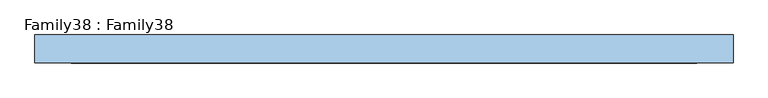
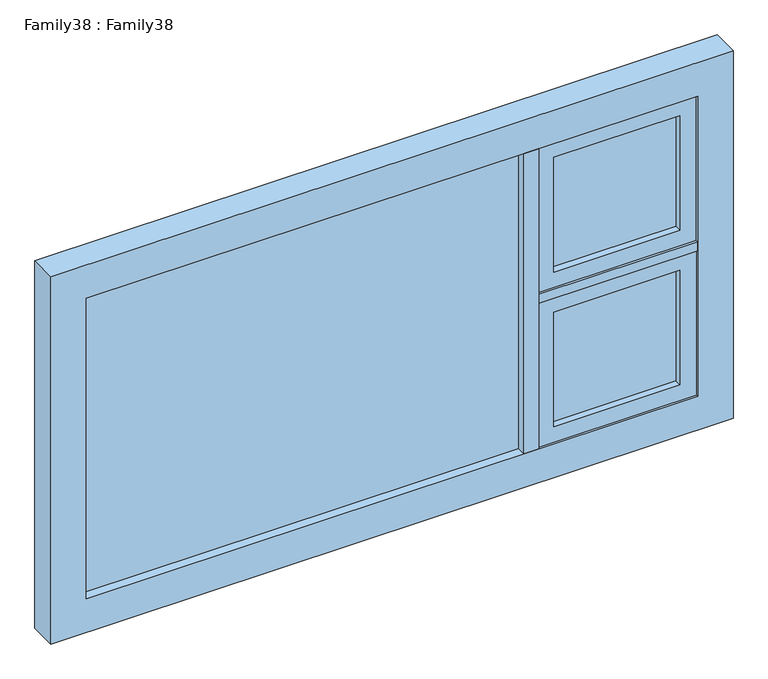
"""IFC4 building model written with IfcOpenShell, lengths in millimetres: window geometry, Family38 : Family38."""

from ifc_helpers import new_model, si_unit, frame, origin, place, context, project, spatial, polyline, outline, extrude, source, transform, mapped, element, save


def family38_family38_c2446c04(model_context):
    return source(origin(), model_context, "Body", "SweptSolid", [
        extrude(outline(polyline([(886.0, 14.0), (886.0, 10.0), (500.0, 10.0), (500.0, 14.0), (886.0, 14.0)])), frame((0.0, 0.0, 959.0), z_axis=(0.0, 0.0, 1.0), x_axis=(1.0, 0.0, 0.0)), (0.0, 0.0, 1.0), 371.0),
        extrude(outline(polyline([(500.0, -14.0), (500.0, -10.0), (886.0, -10.0), (886.0, -14.0), (500.0, -14.0)])), frame((0.0, 0.0, 959.0), z_axis=(0.0, 0.0, 1.0), x_axis=(1.0, 0.0, 0.0)), (0.0, 0.0, 1.0), 371.0),
        extrude(outline(polyline([(1380.0, 936.0), (1380.0, 450.0), (909.0, 450.0), (909.0, 936.0), (1380.0, 936.0)]), holes=[polyline([(959.0, 500.0), (1330.0, 500.0), (1330.0, 886.0), (959.0, 886.0), (959.0, 500.0)])]), frame((0.0, -35.5110303, 0.0), z_axis=(0.0, 1.0, 0.0), x_axis=(0.0, 0.0, 1.0)), (0.0, 0.0, 1.0), 70.4146297),
        extrude(outline(polyline([(403.8050141, 14.0), (403.8050141, 10.0), (-936.0, 10.0), (-936.0, 14.0), (403.8050141, 14.0)])), frame((0.0, 0.0, 909.0), z_axis=(0.0, 0.0, 1.0), x_axis=(1.0, 0.0, 0.0)), (0.0, 0.0, 1.0), 972.0),
        extrude(outline(polyline([(-936.0, -14.0), (-936.0, -10.0), (403.8050141, -10.0), (403.8050141, -14.0), (-936.0, -14.0)])), frame((0.0, 0.0, 909.0), z_axis=(0.0, 0.0, 1.0), x_axis=(1.0, 0.0, 0.0)), (0.0, 0.0, 1.0), 972.0),
        extrude(outline(polyline([(450.0, -42.0), (403.8050141, -42.0), (403.8050141, 42.0), (450.0, 42.0), (450.0, -42.0)])), frame((0.0, 0.0, 909.0), z_axis=(0.0, 0.0, 1.0), x_axis=(1.0, 0.0, 0.0)), (0.0, 0.0, 1.0), 972.0),
        extrude(outline(polyline([(1990.0, 1045.0), (1990.0, -1045.0), (800.0, -1045.0), (800.0, 1045.0), (1990.0, 1045.0)]), holes=[polyline([(909.0, 936.0), (909.0, -936.0), (1881.0, -936.0), (1881.0, 936.0), (909.0, 936.0)])]), frame((0.0, -42.0, 0.0), z_axis=(0.0, 1.0, 0.0), x_axis=(0.0, 0.0, 1.0)), (0.0, 0.0, 1.0), 84.0),
        extrude(outline(polyline([(936.0, -42.0), (450.0, -42.0), (450.0, 42.0), (936.0, 42.0), (936.0, -42.0)])), frame((0.0, 0.0, 1380.0), z_axis=(0.0, 0.0, 1.0), x_axis=(1.0, 0.0, 0.0)), (0.0, 0.0, 1.0), 29.7258275),
        extrude(outline(polyline([(886.0, 14.0), (886.0, 10.0), (500.0, 10.0), (500.0, 14.0), (886.0, 14.0)])), frame((0.0, 0.0, 1460.0), z_axis=(0.0, 0.0, 1.0), x_axis=(1.0, 0.0, 0.0)), (0.0, 0.0, 1.0), 371.0),
        extrude(outline(polyline([(500.0, -14.0), (500.0, -10.0), (886.0, -10.0), (886.0, -14.0), (500.0, -14.0)])), frame((0.0, 0.0, 1460.0), z_axis=(0.0, 0.0, 1.0), x_axis=(1.0, 0.0, 0.0)), (0.0, 0.0, 1.0), 371.0),
        extrude(outline(polyline([(1881.0, 936.0), (1881.0, 450.0), (1409.7258275, 450.0), (1409.7258275, 936.0), (1881.0, 936.0)]), holes=[polyline([(1460.0, 500.0), (1831.0, 500.0), (1831.0, 886.0), (1460.0, 886.0), (1460.0, 500.0)])]), frame((0.0, -35.5110303, 0.0), z_axis=(0.0, 1.0, 0.0), x_axis=(0.0, 0.0, 1.0)), (0.0, 0.0, 1.0), 70.4146297),
    ])


if __name__ == "__main__":
    model = new_model("IFC4")
    model_context = context("Model", 3, world=origin())
    ifc_project = project(units=[si_unit("LENGTHUNIT", "METRE", prefix="MILLI")], contexts=[model_context])
    site = spatial("IfcSite", under=ifc_project)
    building = spatial("IfcBuilding", under=site)
    placement = place(None, origin())
    family38_family38_shape = family38_family38_c2446c04(model_context)
    element("IfcWindow", 1, ObjectType="Family38 : Family38", at=placement, inside=building, context=model_context, shape_type="MappedRepresentation", body=[
        mapped(family38_family38_shape, transform((0.0, 0.0, 0.0), x_axis=(1.0, 0.0, 0.0), y_axis=(0.0, 1.0, 0.0), z_axis=(0.0, 0.0, 1.0))),
    ])
    save(model, "model.ifc")
